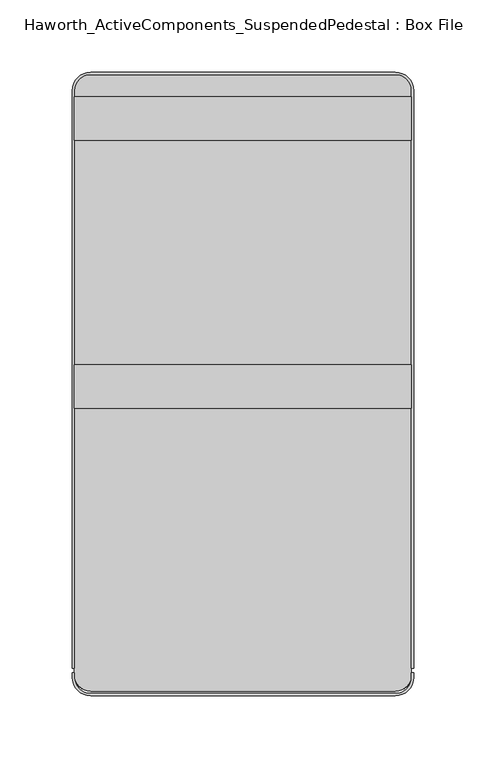
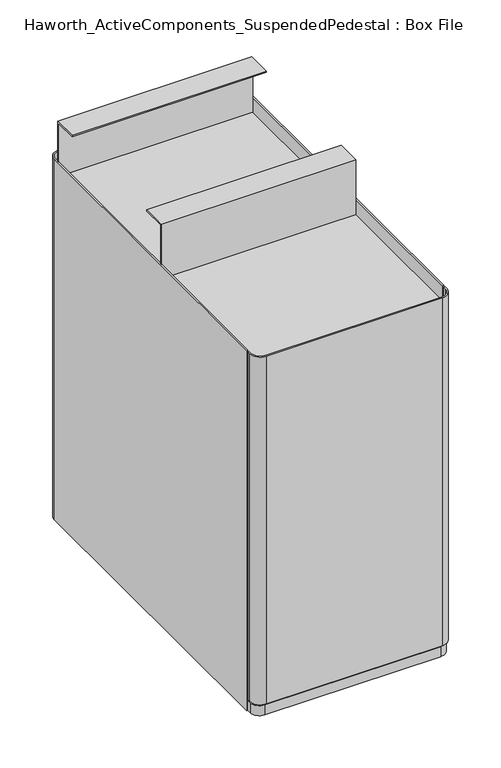
"""IFC4 building model written with IfcOpenShell, lengths in millimetres: furniture geometry, Haworth_ActiveComponents_SuspendedPedestal : Box File."""

import ifcopenshell
import ifcopenshell.guid

model = None  # the IFC model being written
_history = None  # IfcOwnerHistory: only IFC2X3 demands one
_inside = {}  # id of a spatial element -> (the spatial element, [elements in it])
_under = {}  # id of a project, library or spatial element -> (it, [spatial elements below it])
_declared = {}  # id of a project -> (the project, [libraries it declares])
_typed = {}  # id of a type object -> (the type object, [elements of that type])
_made_of = {}  # id of a material, layer set ... -> (it, [elements and type objects made of it])


def new_model(schema):
    """Start an empty IFC model of exactly this schema.

    Asked for "IFC4X3", IfcOpenShell would pick the latest addendum, in which some entities
    have other attributes; the version numbers below select the first issue.
    IFC2X3 requires an IfcOwnerHistory on every rooted entity: one is made here for all.
    """
    global model, _history
    if schema == "IFC4X3":
        model = ifcopenshell.file(schema_version=(4, 3, 0, 0))
    else:
        model = ifcopenshell.file(schema=schema)
    _inside.clear()
    _under.clear()
    _declared.clear()
    _typed.clear()
    _made_of.clear()
    _history = None
    if model.schema == "IFC2X3":
        org = make("IfcOrganization", Name="unknown")
        user = make(
            "IfcPersonAndOrganization",
            ThePerson=make("IfcPerson", FamilyName="unknown"),
            TheOrganization=org,
        )
        app = make(
            "IfcApplication",
            ApplicationDeveloper=org,
            Version="unknown",
            ApplicationFullName="unknown",
            ApplicationIdentifier="unknown",
        )
        _history = make(
            "IfcOwnerHistory",
            OwningUser=user,
            OwningApplication=app,
            ChangeAction="ADDED",
            CreationDate=0,
        )
    return model


def make(cls, **values):
    """One entity of the class cls with the attributes given. An attribute that is None is left unset."""
    return model.create_entity(
        cls, **{name: value for name, value in values.items() if value is not None}
    )


def rooted(cls, **values):
    """An entity with a GlobalId (a new one), such as an element, a storey or a relation."""
    return make(cls, GlobalId=ifcopenshell.guid.new(), OwnerHistory=_history, **values)


def si_unit(unit_type, name, prefix=None):
    """IfcSIUnit, for example si_unit("LENGTHUNIT", "METRE", prefix="MILLI")."""
    return make("IfcSIUnit", UnitType=unit_type, Prefix=prefix, Name=name)


def assignment(units):
    """IfcUnitAssignment: the units of a project."""
    return None if units is None else make("IfcUnitAssignment", Units=units)


def point(xyz):
    """IfcCartesianPoint."""
    return None if xyz is None else make("IfcCartesianPoint", Coordinates=xyz)


def direction(xyz):
    """IfcDirection."""
    return None if xyz is None else make("IfcDirection", DirectionRatios=xyz)


def frame(location, z_axis=None, x_axis=None):
    """IfcAxis2Placement3D, a coordinate frame: its origin and axes. An axis left out is left unset."""
    return make(
        "IfcAxis2Placement3D",
        Location=point(location),
        Axis=direction(z_axis),
        RefDirection=direction(x_axis),
    )


def frame_2d(location, x_axis=None):
    """IfcAxis2Placement2D, a coordinate frame in the plane: its origin and x axis."""
    return make(
        "IfcAxis2Placement2D", Location=point(location), RefDirection=direction(x_axis)
    )


def origin():
    """The frame at (0, 0, 0) with its axes left unset."""
    return frame((0.0, 0.0, 0.0))


def place(relative_to, where):
    """IfcLocalPlacement: puts the frame where relative to a parent placement (None: the world)."""
    return make(
        "IfcLocalPlacement", PlacementRelTo=relative_to, RelativePlacement=where
    )


def context(
    kind, dimensions, precision=None, world=None, true_north=None, identifier=None
):
    """IfcGeometricRepresentationContext, for example the 3D "Model" context."""
    return make(
        "IfcGeometricRepresentationContext",
        ContextIdentifier=identifier,
        ContextType=kind,
        CoordinateSpaceDimension=dimensions,
        Precision=precision,
        WorldCoordinateSystem=world,
        TrueNorth=true_north,
    )


def project(units=None, contexts=None):
    """IfcProject with its units and contexts."""
    return rooted(
        "IfcProject",
        Name="project",
        RepresentationContexts=contexts,
        UnitsInContext=assignment(units),
    )


def spatial(cls, under=None, at=None, **own):
    """A site, building, storey or space (cls), placed at a placement, below another one or the project."""
    s = rooted(cls, ObjectPlacement=at, **own)
    if under is not None:
        _under.setdefault(under.id(), (under, []))[1].append(s)
    return s


def polyline(points):
    """IfcPolyline through the points."""
    return make("IfcPolyline", Points=[point(p) for p in points])


def circle_curve(where, radius):
    """IfcCircle in the frame where."""
    return make("IfcCircle", Position=where, Radius=radius)


def trimmed(basis, trim1, trim2, sense, master):
    """IfcTrimmedCurve: the piece of a basis curve between two trims."""
    return make(
        "IfcTrimmedCurve",
        BasisCurve=basis,
        Trim1=trim1,
        Trim2=trim2,
        SenseAgreement=sense,
        MasterRepresentation=master,
    )


def segment(curve, same_sense, transition):
    """IfcCompositeCurveSegment."""
    return make(
        "IfcCompositeCurveSegment",
        Transition=transition,
        SameSense=same_sense,
        ParentCurve=curve,
    )


def composite_curve(segments, self_intersect=None):
    """IfcCompositeCurve: segments joined end to end."""
    return make("IfcCompositeCurve", Segments=segments, SelfIntersect=self_intersect)


def outline(outer, holes=None, kind="AREA"):
    """IfcArbitraryClosedProfileDef: a profile drawn as a closed curve; with holes, ...WithVoids."""
    if holes is None:
        return make("IfcArbitraryClosedProfileDef", ProfileType=kind, OuterCurve=outer)
    return make(
        "IfcArbitraryProfileDefWithVoids",
        ProfileType=kind,
        OuterCurve=outer,
        InnerCurves=holes,
    )


def extrude(swept, where, along, depth):
    """IfcExtrudedAreaSolid: the profile swept, set in the frame where, extruded along a direction by depth."""
    return make(
        "IfcExtrudedAreaSolid",
        SweptArea=swept,
        Position=where,
        ExtrudedDirection=direction(along),
        Depth=depth,
    )


def shape(context_of_items, identifier, shape_type, items):
    """IfcShapeRepresentation: the items that make up one representation, for example the "Body"."""
    return make(
        "IfcShapeRepresentation",
        ContextOfItems=context_of_items,
        RepresentationIdentifier=identifier,
        RepresentationType=shape_type,
        Items=items,
    )


def source(mapping_origin, context_of_items, identifier, shape_type, items):
    """IfcRepresentationMap: a shape defined once, which mapped items show again and again."""
    return make(
        "IfcRepresentationMap",
        MappingOrigin=mapping_origin,
        MappedRepresentation=shape(context_of_items, identifier, shape_type, items),
    )


def transform(
    local_origin,
    x_axis=None,
    y_axis=None,
    z_axis=None,
    scale=None,
    scale2=None,
    scale3=None,
    uniform=True,
):
    """IfcCartesianTransformationOperator3D, or its non-uniform kind. x_axis, y_axis, z_axis: its Axis1, 2, 3."""
    if uniform:
        return make(
            "IfcCartesianTransformationOperator3D",
            Axis1=direction(x_axis),
            Axis2=direction(y_axis),
            LocalOrigin=point(local_origin),
            Scale=scale,
            Axis3=direction(z_axis),
        )
    return make(
        "IfcCartesianTransformationOperator3DnonUniform",
        Axis1=direction(x_axis),
        Axis2=direction(y_axis),
        LocalOrigin=point(local_origin),
        Scale=scale,
        Axis3=direction(z_axis),
        Scale2=scale2,
        Scale3=scale3,
    )


def mapped(mapping_source, mapping_target):
    """IfcMappedItem: shows the shape of a source again, moved by a transform."""
    return make(
        "IfcMappedItem", MappingSource=mapping_source, MappingTarget=mapping_target
    )


def made_of(thing, what):
    """Note that an element or type object is made of a material, layer set ...; save() writes the relation."""
    if what is not None:
        _made_of.setdefault(what.id(), (what, []))[1].append(thing)
    return thing


def element(
    cls,
    number,
    at=None,
    inside=None,
    cuts=None,
    type_object=None,
    material=None,
    context=None,
    identifier="Body",
    shape_type=None,
    held_by="IfcProductDefinitionShape",
    body=None,
    shapes=None,
    **own,
):
    """One element of the class cls, such as IfcWall. Its Tag is "e" and its number.

    at: its placement. inside: the storey or other place that contains it. cuts: it is an
    opening in that element (IfcRelVoidsElement). A single representation is given by context,
    identifier, shape_type and body (its items); several are given by shapes. held_by: the class
    of the entity that holds the representations. save() writes the other relations.
    """
    e = rooted(cls, Tag="e%d" % number, ObjectPlacement=at, **own)
    if body is not None:
        shapes = [shape(context, identifier, shape_type, body)]
    if shapes is not None:
        e.Representation = make(held_by, Representations=shapes)
    if inside is not None:
        _inside.setdefault(inside.id(), (inside, []))[1].append(e)
    if cuts is not None:
        rooted(
            "IfcRelVoidsElement", RelatingBuildingElement=cuts, RelatedOpeningElement=e
        )
    if type_object is not None:
        _typed.setdefault(type_object.id(), (type_object, []))[1].append(e)
    return made_of(e, material)


def aggregate(whole, parts):
    """IfcRelAggregates: a whole, such as a stair, and the parts it consists of."""
    return rooted("IfcRelAggregates", RelatingObject=whole, RelatedObjects=parts)


def save(model, path):
    """Write the relations noted so far, then the file.

    IfcRelAggregates (storeys below a building ...), IfcRelContainedInSpatialStructure (elements
    in a storey), IfcRelDefinesByType, IfcRelAssociatesMaterial and IfcRelDeclares: one each for
    every whole, place, type object, material and project.
    """
    for whole, parts in _under.values():
        aggregate(whole, parts)
    for where, things in _inside.values():
        rooted(
            "IfcRelContainedInSpatialStructure",
            RelatedElements=things,
            RelatingStructure=where,
        )
    for kind, things in _typed.values():
        rooted("IfcRelDefinesByType", RelatedObjects=things, RelatingType=kind)
    for what, things in _made_of.values():
        rooted("IfcRelAssociatesMaterial", RelatedObjects=things, RelatingMaterial=what)
    for by, libraries in _declared.values():
        rooted("IfcRelDeclares", RelatingContext=by, RelatedDefinitions=libraries)
    model.write(path)


def haworth_activecomponents_suspendedpedestal_box_file_8bf41672(model_context):
    return source(origin(), model_context, "Body", "SweptSolid", [
        extrude(outline(composite_curve([segment(trimmed(circle_curve(frame_2d((105.56875, -57.15)), 11.1125), [point((105.56875, -46.0375))], [point((116.68125, -57.15))], False, "CARTESIAN"), True, "CONTINUOUS"), segment(polyline([(116.68125, -57.15), (116.68125, -461.9625)]), True, "CONTINUOUS"), segment(trimmed(circle_curve(frame_2d((105.56875, -461.9625)), 11.1125), [point((116.68125, -461.9625))], [point((105.56875, -473.075))], False, "CARTESIAN"), True, "CONTINUOUS"), segment(polyline([(105.56875, -473.075), (-105.56875, -473.075)]), True, "CONTINUOUS"), segment(trimmed(circle_curve(frame_2d((-105.56875, -461.9625)), 11.1125), [point((-105.56875, -473.075))], [point((-116.68125, -461.9625))], False, "CARTESIAN"), True, "CONTINUOUS"), segment(polyline([(-116.68125, -461.9625), (-116.68125, -57.15)]), True, "CONTINUOUS"), segment(trimmed(circle_curve(frame_2d((-105.56875, -57.15)), 11.1125), [point((-116.68125, -57.15))], [point((-105.56875, -46.0375))], False, "CARTESIAN"), True, "CONTINUOUS"), segment(polyline([(-105.56875, -46.0375), (105.56875, -46.0375)]), True, "CONTINUOUS")], self_intersect=False)), frame((0.0, 0.0, 633.4124758), z_axis=(0.0, 0.0, 1.0), x_axis=(1.0, 0.0, 0.0)), (0.0, 0.0, 1.0), 1.5875),
        extrude(outline(composite_curve([segment(trimmed(circle_curve(frame_2d((105.56875, -57.15)), 11.1125), [point((105.56875, -46.0375))], [point((116.68125, -57.15))], False, "CARTESIAN"), True, "CONTINUOUS"), segment(polyline([(116.68125, -57.15), (116.68125, -461.9625)]), True, "CONTINUOUS"), segment(trimmed(circle_curve(frame_2d((105.56875, -461.9625)), 11.1125), [point((116.68125, -461.9625))], [point((105.56875, -473.075))], False, "CARTESIAN"), True, "CONTINUOUS"), segment(polyline([(105.56875, -473.075), (-105.56875, -473.075)]), True, "CONTINUOUS"), segment(trimmed(circle_curve(frame_2d((-105.56875, -461.9625)), 11.1125), [point((-105.56875, -473.075))], [point((-116.68125, -461.9625))], False, "CARTESIAN"), True, "CONTINUOUS"), segment(polyline([(-116.68125, -461.9625), (-116.68125, -57.15)]), True, "CONTINUOUS"), segment(trimmed(circle_curve(frame_2d((-105.56875, -57.15)), 11.1125), [point((-116.68125, -57.15))], [point((-105.56875, -46.0375))], False, "CARTESIAN"), True, "CONTINUOUS"), segment(polyline([(-105.56875, -46.0375), (105.56875, -46.0375)]), True, "CONTINUOUS")], self_intersect=False)), frame((0.0, 0.0, 212.725), z_axis=(0.0, 0.0, 1.0), x_axis=(1.0, 0.0, 0.0)), (0.0, 0.0, 1.0), 366.7125),
        extrude(outline(polyline([(-277.3171814, 634.9999758), (-277.3171814, 704.85), (-247.1546814, 704.85), (-247.1546814, 703.2625), (-275.7296814, 703.2625), (-275.7296814, 634.9999758), (-277.3171814, 634.9999758)])), frame((-116.68125, 0.0, 0.0), z_axis=(1.0, 0.0, 0.0), x_axis=(0.0, 1.0, 0.0)), (0.0, 0.0, 1.0), 233.3625),
        extrude(outline(polyline([(-61.4172056, 634.9999758), (-63.0047056, 634.9999758), (-63.0047056, 703.2625), (-91.5797056, 703.2625), (-91.5797056, 704.85), (-61.4172056, 704.85), (-61.4172056, 634.9999758)])), frame((-116.68125, 0.0, 0.0), z_axis=(1.0, 0.0, 0.0), x_axis=(0.0, 1.0, 0.0)), (0.0, 0.0, 1.0), 233.3625),
        extrude(outline(composite_curve([segment(polyline([(-118.26875, -463.55), (-118.26875, -460.375), (-116.68125, -460.375), (-116.68125, -463.55)]), True, "CONTINUOUS"), segment(trimmed(circle_curve(frame_2d((-105.56875, -463.55)), 11.1125), [point((-116.68125, -463.55))], [point((-105.56875, -474.6625))], True, "CARTESIAN"), True, "CONTINUOUS"), segment(polyline([(-105.56875, -474.6625), (105.56875, -474.6625)]), True, "CONTINUOUS"), segment(trimmed(circle_curve(frame_2d((105.56875, -463.55)), 11.1125), [point((105.56875, -474.6625))], [point((116.68125, -463.55))], True, "CARTESIAN"), True, "CONTINUOUS"), segment(polyline([(116.68125, -463.55), (116.68125, -460.375), (118.26875, -460.375), (118.26875, -463.55)]), True, "CONTINUOUS"), segment(trimmed(circle_curve(frame_2d((105.56875, -463.55)), 12.7), [point((118.26875, -463.55))], [point((105.56875, -476.25))], False, "CARTESIAN"), True, "CONTINUOUS"), segment(polyline([(105.56875, -476.25), (-105.56875, -476.25)]), True, "CONTINUOUS"), segment(trimmed(circle_curve(frame_2d((-105.56875, -463.55)), 12.7), [point((-105.56875, -476.25))], [point((-118.26875, -463.55))], False, "CARTESIAN"), True, "CONTINUOUS")], self_intersect=False)), frame((0.0, 0.0, 212.725), z_axis=(0.0, 0.0, 1.0), x_axis=(1.0, 0.0, 0.0)), (0.0, 0.0, 1.0), 441.325),
        extrude(outline(composite_curve([segment(trimmed(circle_curve(frame_2d((105.56875, -57.15)), 11.1125), [point((105.56875, -46.0375))], [point((116.68125, -57.15))], False, "CARTESIAN"), True, "CONTINUOUS"), segment(polyline([(116.68125, -57.15), (116.68125, -461.9625)]), True, "CONTINUOUS"), segment(trimmed(circle_curve(frame_2d((105.56875, -461.9625)), 11.1125), [point((116.68125, -461.9625))], [point((105.56875, -473.075))], False, "CARTESIAN"), True, "CONTINUOUS"), segment(polyline([(105.56875, -473.075), (-105.56875, -473.075)]), True, "CONTINUOUS"), segment(trimmed(circle_curve(frame_2d((-105.56875, -461.9625)), 11.1125), [point((-105.56875, -473.075))], [point((-116.68125, -461.9625))], False, "CARTESIAN"), True, "CONTINUOUS"), segment(polyline([(-116.68125, -461.9625), (-116.68125, -57.15)]), True, "CONTINUOUS"), segment(trimmed(circle_curve(frame_2d((-105.56875, -57.15)), 11.1125), [point((-116.68125, -57.15))], [point((-105.56875, -46.0375))], False, "CARTESIAN"), True, "CONTINUOUS"), segment(polyline([(-105.56875, -46.0375), (105.56875, -46.0375)]), True, "CONTINUOUS")], self_intersect=False)), frame((0.0, 0.0, 196.85), z_axis=(0.0, 0.0, 1.0), x_axis=(1.0, 0.0, 0.0)), (0.0, 0.0, 1.0), 12.7),
        extrude(outline(composite_curve([segment(trimmed(circle_curve(frame_2d((-105.56875, -57.15)), 12.7), [point((-118.26875, -57.15))], [point((-105.56875, -44.45))], False, "CARTESIAN"), True, "CONTINUOUS"), segment(polyline([(-105.56875, -44.45), (105.56875, -44.45)]), True, "CONTINUOUS"), segment(trimmed(circle_curve(frame_2d((105.56875, -57.15)), 12.7), [point((105.56875, -44.45))], [point((118.26875, -57.15))], False, "CARTESIAN"), True, "CONTINUOUS"), segment(polyline([(118.26875, -57.15), (118.26875, -457.2), (116.68125, -457.2), (116.68125, -57.15)]), True, "CONTINUOUS"), segment(trimmed(circle_curve(frame_2d((105.56875, -57.15)), 11.1125), [point((116.68125, -57.15))], [point((105.56875, -46.0375))], True, "CARTESIAN"), True, "CONTINUOUS"), segment(polyline([(105.56875, -46.0375), (-105.56875, -46.0375)]), True, "CONTINUOUS"), segment(trimmed(circle_curve(frame_2d((-105.56875, -57.15)), 11.1125), [point((-105.56875, -46.0375))], [point((-116.68125, -57.15))], True, "CARTESIAN"), True, "CONTINUOUS"), segment(polyline([(-116.68125, -57.15), (-116.68125, -457.2), (-118.26875, -457.2), (-118.26875, -57.15)]), True, "CONTINUOUS")], self_intersect=False)), frame((0.0, 0.0, 196.85), z_axis=(0.0, 0.0, 1.0), x_axis=(1.0, 0.0, 0.0)), (0.0, 0.0, 1.0), 457.2),
    ])


if __name__ == "__main__":
    model = new_model("IFC4")
    model_context = context("Model", 3, world=origin())
    ifc_project = project(units=[si_unit("LENGTHUNIT", "METRE", prefix="MILLI")], contexts=[model_context])
    site = spatial("IfcSite", under=ifc_project)
    building = spatial("IfcBuilding", under=site)
    placement = place(None, origin())
    haworth_activecomponents_suspendedpedestal_box_file_shape = haworth_activecomponents_suspendedpedestal_box_file_8bf41672(model_context)
    element("IfcFurniture", 1, ObjectType="Haworth_ActiveComponents_SuspendedPedestal : Box File", at=placement, inside=building, context=model_context, shape_type="MappedRepresentation", body=[
        mapped(haworth_activecomponents_suspendedpedestal_box_file_shape, transform((0.0, 0.0, 0.0), x_axis=(1.0, 0.0, 0.0), y_axis=(0.0, 1.0, 0.0), z_axis=(0.0, 0.0, 1.0))),
    ])
    save(model, "model.ifc")
